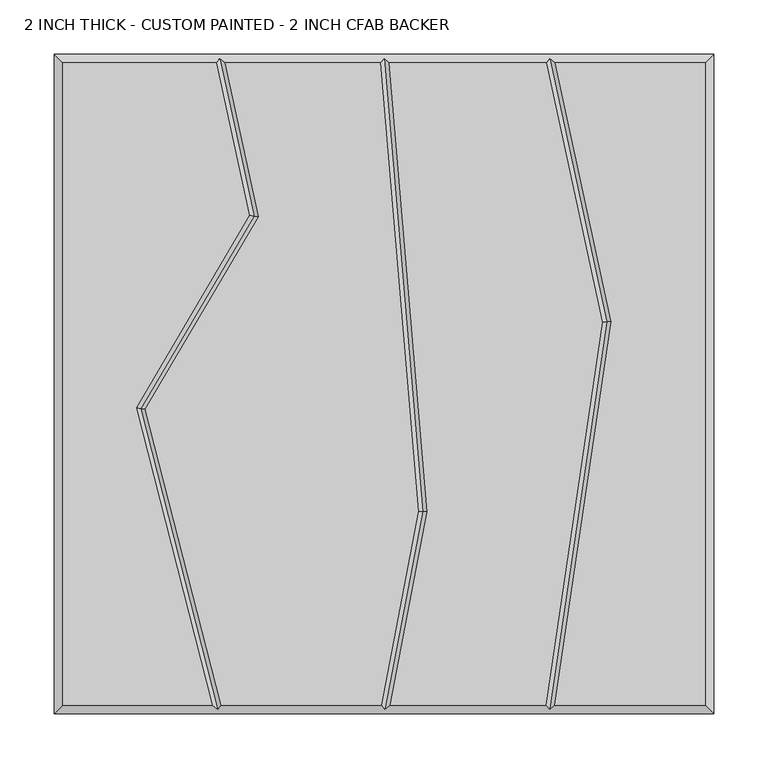
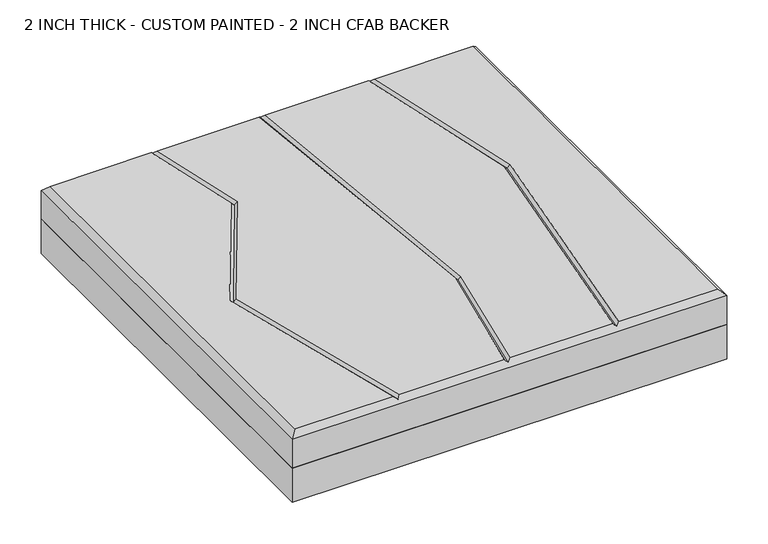
"""IFC4 building model written with IfcOpenShell, lengths in millimetres: proxy geometry, 2 INCH THICK - CUSTOM PAINTED - 2 INCH CFAB BACKER."""

from ifc_helpers import new_model, si_unit, frame, origin, place, context, project, spatial, polyline, outline, extrude, faceted_brep, source, transform, mapped, element, save


def proxy_2_inch_thick_custom_painted_2_inch_cfab_backer_4cf9e70f(model_context):
    return source(origin(), model_context, "Body", "SolidModel", [
        extrude(outline(polyline([(-304.8, 304.8), (304.8, 304.8), (304.8, -304.8), (-304.8, -304.8), (-304.8, 304.8)])), frame((0.0, 0.0, -50.8), z_axis=(0.0, 0.0, 1.0), x_axis=(1.0, 0.0, 0.0)), (0.0, 0.0, 1.0), 50.8),
        faceted_brep([(-296.799, 296.799, 50.8), (-296.799, -296.799, 50.8), (-158.5803507, -296.799, 50.8), (-228.9486116, -22.1618467, 50.8), (-124.326786, 155.8449273, 50.8), (-154.765405, 296.799, 50.8), (296.799, -296.799, 50.8), (296.799, 296.799, 50.8), (158.2217247, 296.799, 50.8), (209.9251981, 57.4644259, 50.8), (157.6255242, -296.799, 50.8), (-220.3791386, -23.3717887, 50.8), (-150.3208923, -296.799, 50.8), (-2.5427901, -296.799, 50.8), (31.7252909, -117.6291285, 50.8), (-3.3378716, 296.799, 50.8), (-146.5799748, 296.799, 50.8), (-115.8470875, 154.4822402, 50.8), (39.7905877, -118.051219, 50.8), (5.6032358, -296.799, 50.8), (149.5378056, -296.799, 50.8), (201.7977561, 57.1953504, 50.8), (150.0361542, 296.799, 50.8), (4.6917137, 296.799, 50.8), (-304.8, 304.8, 0.0), (304.8, 304.8, 0.0), (304.8, -304.8, 0.0), (-304.8, -304.8, 0.0), (-304.8, -304.8, 42.799), (-304.8, 304.8, 42.799), (304.8, -304.8, 42.799), (304.8, 304.8, 42.799), (-151.5365862, 300.7995, 46.7995), (0.3384542, 300.7995, 46.7995), (153.264711, 300.7995, 46.7995), (152.9910738, -300.7995, 46.7995), (0.7650861, -300.7995, 46.7995), (-153.4256028, -300.7995, 46.7995), (-224.6638751, -22.7668177, 46.7995), (-120.0869367, 155.1635838, 46.7995), (35.7579393, -117.8401737, 46.7995), (205.8614771, 57.3298882, 46.7995)], [[[0, 1, 2, 3, 4, 5]], [[6, 7, 8, 9, 10]], [[11, 12, 13, 14, 15, 16, 17]], [[18, 19, 20, 21, 22, 23]], [[24, 25, 26, 27]], [[24, 27, 28, 29]], [[27, 26, 30, 28]], [[26, 25, 31, 30]], [[25, 24, 29, 31]], [[29, 0, 5, 32, 16, 15, 33, 23, 22, 34, 8, 7, 31]], [[0, 29, 28, 1]], [[1, 28, 30, 6, 10, 35, 20, 19, 36, 13, 12, 37, 2]], [[31, 7, 6, 30]], [[38, 3, 2, 37]], [[11, 38, 37, 12]], [[3, 38, 39, 4]], [[38, 11, 17, 39]], [[4, 39, 32, 5]], [[39, 17, 16, 32]], [[40, 14, 13, 36]], [[18, 40, 36, 19]], [[14, 40, 33, 15]], [[40, 18, 23, 33]], [[41, 21, 20, 35]], [[9, 41, 35, 10]], [[21, 41, 34, 22]], [[41, 9, 8, 34]]]),
    ])


if __name__ == "__main__":
    model = new_model("IFC4")
    model_context = context("Model", 3, world=origin())
    ifc_project = project(units=[si_unit("LENGTHUNIT", "METRE", prefix="MILLI")], contexts=[model_context])
    site = spatial("IfcSite", under=ifc_project)
    building = spatial("IfcBuilding", under=site)
    placement = place(None, origin())
    proxy_2_inch_thick_custom_painted_2_inch_cfab_backer_shape = proxy_2_inch_thick_custom_painted_2_inch_cfab_backer_4cf9e70f(model_context)
    element("IfcBuildingElementProxy", 1, Name="2 INCH THICK - CUSTOM PAINTED - 2 INCH CFAB BACKER", ObjectType="2 INCH THICK - CUSTOM PAINTED - 2 INCH CFAB BACKER", at=placement, inside=building, context=model_context, shape_type="MappedRepresentation", body=[
        mapped(proxy_2_inch_thick_custom_painted_2_inch_cfab_backer_shape, transform((0.0, 0.0, 0.0), x_axis=(1.0, 0.0, 0.0), y_axis=(0.0, 1.0, 0.0), z_axis=(0.0, 0.0, 1.0))),
    ])
    save(model, "model.ifc")
